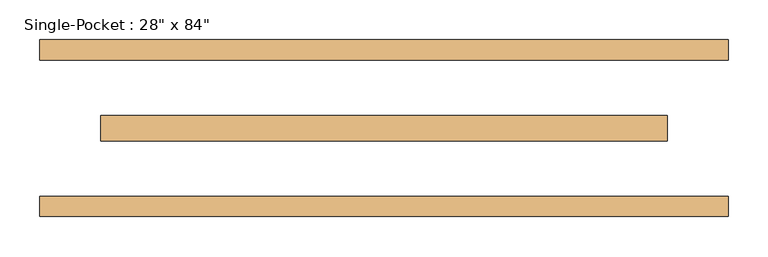
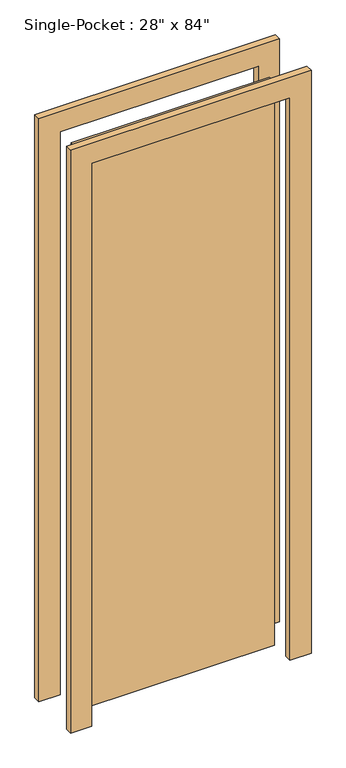
"""IFC4 building model written with IfcOpenShell, lengths in millimetres: door geometry."""

from ifc_helpers import new_model, si_unit, frame, origin, origin_with_axes, place, context, project, spatial, polyline, outline, extrude, source, transform, mapped, element, save


def door_508dd5ed(model_context):
    return source(origin(), model_context, "Body", "SweptSolid", [
        extrude(outline(polyline([(-355.6, 15.875), (355.6, 15.875), (355.6, -15.875), (-355.6, -15.875), (-355.6, 15.875)])), origin_with_axes(), (0.0, 0.0, 1.0), 2133.6),
        extrude(outline(polyline([(2133.6, -355.6), (2133.6, 355.6), (0.0, 355.6), (0.0, 431.8), (2209.8, 431.8), (2209.8, -431.8), (0.0, -431.8), (0.0, -355.6), (2133.6, -355.6)])), frame((0.0, -111.125, 0.0), z_axis=(0.0, 1.0, 0.0), x_axis=(0.0, 0.0, 1.0)), (0.0, 0.0, 1.0), 25.4),
        extrude(outline(polyline([(2133.6, -355.6), (2133.6, 355.6), (0.0, 355.6), (0.0, 431.8), (2209.8, 431.8), (2209.8, -431.8), (0.0, -431.8), (0.0, -355.6), (2133.6, -355.6)])), frame((0.0, 85.725, 0.0), z_axis=(0.0, 1.0, 0.0), x_axis=(0.0, 0.0, 1.0)), (0.0, 0.0, 1.0), 25.4),
    ])


if __name__ == "__main__":
    model = new_model("IFC4")
    model_context = context("Model", 3, world=origin())
    ifc_project = project(units=[si_unit("LENGTHUNIT", "METRE", prefix="MILLI")], contexts=[model_context])
    site = spatial("IfcSite", under=ifc_project)
    building = spatial("IfcBuilding", under=site)
    placement = place(None, origin())
    door_shape = door_508dd5ed(model_context)
    element("IfcDoor", 1, ObjectType="Single-Pocket : 28\" x 84\"", at=placement, inside=building, context=model_context, shape_type="MappedRepresentation", body=[
        mapped(door_shape, transform((0.0, 0.0, 0.0), x_axis=(1.0, 0.0, 0.0), y_axis=(0.0, 1.0, 0.0), z_axis=(0.0, 0.0, 1.0))),
    ])
    save(model, "model.ifc")
